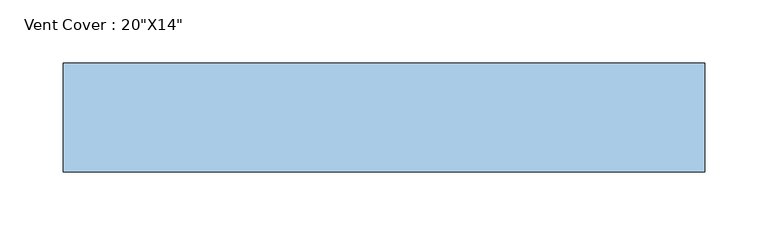
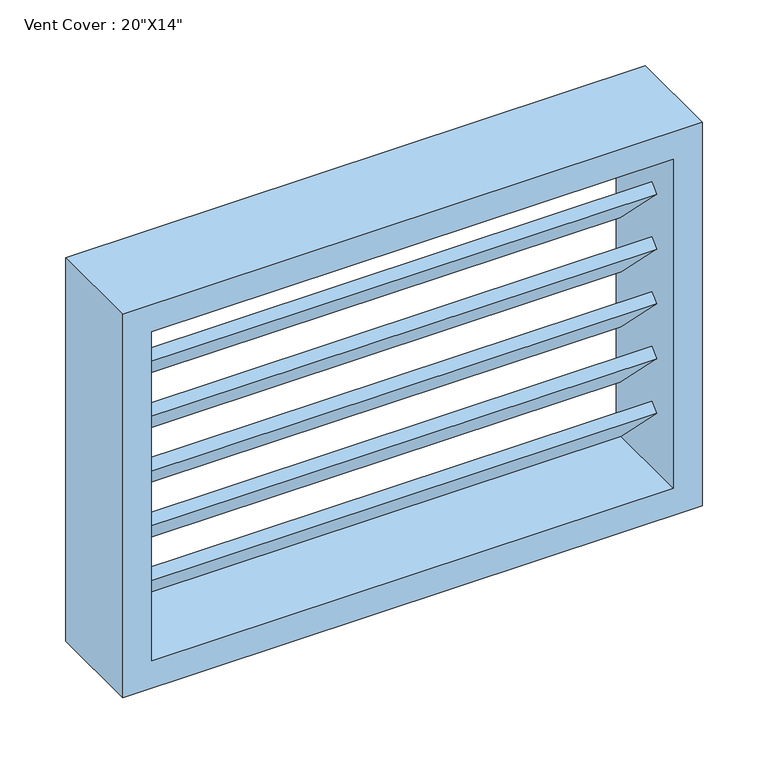
"""IFC4 building model written with IfcOpenShell, lengths in millimetres: window geometry."""

from ifc_helpers import new_model, si_unit, frame, origin, place, context, project, spatial, polyline, outline, extrude, source, transform, mapped, element, save


def window_56ec5255(model_context):
    return source(origin(), model_context, "Body", "SweptSolid", [
        extrude(outline(polyline([(0.0, -76.2), (0.0, 0.0), (457.2, 0.0), (457.2, -76.2), (0.0, -76.2)])), frame((228.6, 8.8973955, 1133.2815367), z_axis=(0.0, 0.7071067811865506, 0.7071067811865446), x_axis=(-1.0, 0.0, 0.0)), (0.0, 0.0, 1.0), 10.0),
        extrude(outline(polyline([(0.0, -76.2), (0.0, 0.0), (457.2, 0.0), (457.2, -76.2), (0.0, -76.2)])), frame((228.6, 8.8973955, 1082.4815367), z_axis=(0.0, 0.7071067811865506, 0.7071067811865446), x_axis=(-1.0, 0.0, 0.0)), (0.0, 0.0, 1.0), 10.0),
        extrude(outline(polyline([(0.0, -76.2), (0.0, 0.0), (457.2, 0.0), (457.2, -76.2), (0.0, -76.2)])), frame((228.6, 8.8973955, 1031.6815367), z_axis=(0.0, 0.7071067811865506, 0.7071067811865446), x_axis=(-1.0, 0.0, 0.0)), (0.0, 0.0, 1.0), 10.0),
        extrude(outline(polyline([(0.0, -76.2), (0.0, 0.0), (457.2, 0.0), (457.2, -76.2), (0.0, -76.2)])), frame((228.6, 8.8973955, 980.8815367), z_axis=(0.0, 0.7071067811865506, 0.7071067811865446), x_axis=(-1.0, 0.0, 0.0)), (0.0, 0.0, 1.0), 10.0),
        extrude(outline(polyline([(0.0, -76.2), (0.0, 0.0), (457.2, 0.0), (457.2, -76.2), (0.0, -76.2)])), frame((228.6, 8.8973955, 930.0815367), z_axis=(0.0, 0.7071067811865506, 0.7071067811865446), x_axis=(-1.0, 0.0, 0.0)), (0.0, 0.0, 1.0), 10.0),
        extrude(outline(polyline([(0.0, -76.2), (0.0, 0.0), (457.2, 0.0), (457.2, -76.2), (0.0, -76.2)])), frame((228.6, 8.8973955, 879.2815367), z_axis=(0.0, 0.7071067811865506, 0.7071067811865446), x_axis=(-1.0, 0.0, 0.0)), (0.0, 0.0, 1.0), 10.0),
        extrude(outline(polyline([(1155.6, 254.0), (1155.6, -254.0), (800.0, -254.0), (800.0, 254.0), (1155.6, 254.0)]), holes=[polyline([(1130.2, 228.6), (825.4, 228.6), (825.4, -228.6), (1130.2, -228.6), (1130.2, 228.6)])]), frame((0.0, -16.35, 0.0), z_axis=(0.0, 1.0, 0.0), x_axis=(0.0, 0.0, 1.0)), (0.0, 0.0, 1.0), 86.2),
    ])


if __name__ == "__main__":
    model = new_model("IFC4")
    model_context = context("Model", 3, world=origin())
    ifc_project = project(units=[si_unit("LENGTHUNIT", "METRE", prefix="MILLI")], contexts=[model_context])
    site = spatial("IfcSite", under=ifc_project)
    building = spatial("IfcBuilding", under=site)
    placement = place(None, origin())
    window_shape = window_56ec5255(model_context)
    element("IfcWindow", 1, ObjectType="Vent Cover : 20\"X14\"", at=placement, inside=building, context=model_context, shape_type="MappedRepresentation", body=[
        mapped(window_shape, transform((0.0, 0.0, 0.0), x_axis=(1.0, 0.0, 0.0), y_axis=(0.0, 1.0, 0.0), z_axis=(0.0, 0.0, 1.0))),
    ])
    save(model, "model.ifc")
